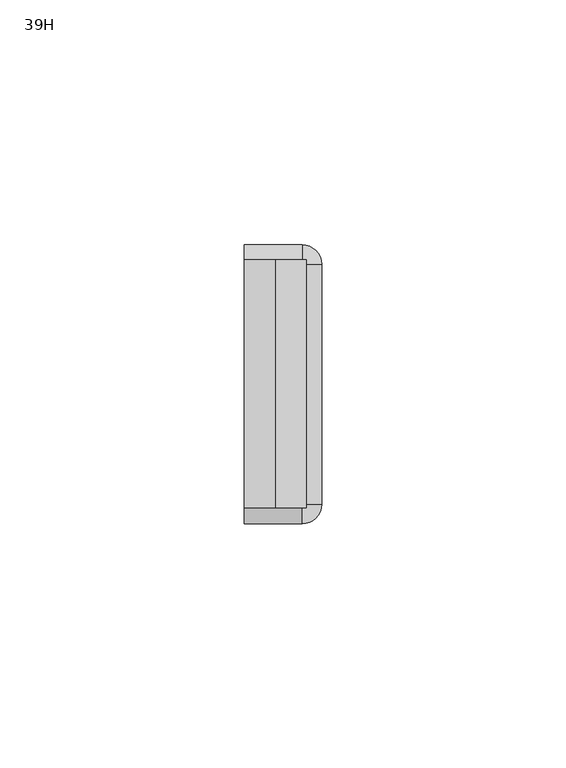
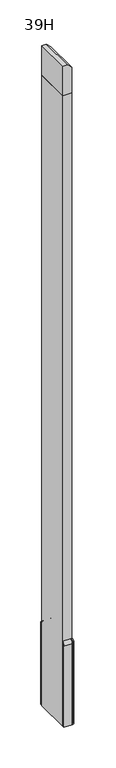
"""IFC4 building model written with IfcOpenShell, lengths in millimetres: furniture geometry, 39H."""

import ifcopenshell
import ifcopenshell.guid

model = None  # the IFC model being written
_history = None  # IfcOwnerHistory: only IFC2X3 demands one
_inside = {}  # id of a spatial element -> (the spatial element, [elements in it])
_under = {}  # id of a project, library or spatial element -> (it, [spatial elements below it])
_declared = {}  # id of a project -> (the project, [libraries it declares])
_typed = {}  # id of a type object -> (the type object, [elements of that type])
_made_of = {}  # id of a material, layer set ... -> (it, [elements and type objects made of it])


def new_model(schema):
    """Start an empty IFC model of exactly this schema.

    Asked for "IFC4X3", IfcOpenShell would pick the latest addendum, in which some entities
    have other attributes; the version numbers below select the first issue.
    IFC2X3 requires an IfcOwnerHistory on every rooted entity: one is made here for all.
    """
    global model, _history
    if schema == "IFC4X3":
        model = ifcopenshell.file(schema_version=(4, 3, 0, 0))
    else:
        model = ifcopenshell.file(schema=schema)
    _inside.clear()
    _under.clear()
    _declared.clear()
    _typed.clear()
    _made_of.clear()
    _history = None
    if model.schema == "IFC2X3":
        org = make("IfcOrganization", Name="unknown")
        user = make(
            "IfcPersonAndOrganization",
            ThePerson=make("IfcPerson", FamilyName="unknown"),
            TheOrganization=org,
        )
        app = make(
            "IfcApplication",
            ApplicationDeveloper=org,
            Version="unknown",
            ApplicationFullName="unknown",
            ApplicationIdentifier="unknown",
        )
        _history = make(
            "IfcOwnerHistory",
            OwningUser=user,
            OwningApplication=app,
            ChangeAction="ADDED",
            CreationDate=0,
        )
    return model


def make(cls, **values):
    """One entity of the class cls with the attributes given. An attribute that is None is left unset."""
    return model.create_entity(
        cls, **{name: value for name, value in values.items() if value is not None}
    )


def rooted(cls, **values):
    """An entity with a GlobalId (a new one), such as an element, a storey or a relation."""
    return make(cls, GlobalId=ifcopenshell.guid.new(), OwnerHistory=_history, **values)


def si_unit(unit_type, name, prefix=None):
    """IfcSIUnit, for example si_unit("LENGTHUNIT", "METRE", prefix="MILLI")."""
    return make("IfcSIUnit", UnitType=unit_type, Prefix=prefix, Name=name)


def assignment(units):
    """IfcUnitAssignment: the units of a project."""
    return None if units is None else make("IfcUnitAssignment", Units=units)


def point(xyz):
    """IfcCartesianPoint."""
    return None if xyz is None else make("IfcCartesianPoint", Coordinates=xyz)


def direction(xyz):
    """IfcDirection."""
    return None if xyz is None else make("IfcDirection", DirectionRatios=xyz)


def frame(location, z_axis=None, x_axis=None):
    """IfcAxis2Placement3D, a coordinate frame: its origin and axes. An axis left out is left unset."""
    return make(
        "IfcAxis2Placement3D",
        Location=point(location),
        Axis=direction(z_axis),
        RefDirection=direction(x_axis),
    )


def origin():
    """The frame at (0, 0, 0) with its axes left unset."""
    return frame((0.0, 0.0, 0.0))


def place(relative_to, where):
    """IfcLocalPlacement: puts the frame where relative to a parent placement (None: the world)."""
    return make(
        "IfcLocalPlacement", PlacementRelTo=relative_to, RelativePlacement=where
    )


def context(
    kind, dimensions, precision=None, world=None, true_north=None, identifier=None
):
    """IfcGeometricRepresentationContext, for example the 3D "Model" context."""
    return make(
        "IfcGeometricRepresentationContext",
        ContextIdentifier=identifier,
        ContextType=kind,
        CoordinateSpaceDimension=dimensions,
        Precision=precision,
        WorldCoordinateSystem=world,
        TrueNorth=true_north,
    )


def project(units=None, contexts=None):
    """IfcProject with its units and contexts."""
    return rooted(
        "IfcProject",
        Name="project",
        RepresentationContexts=contexts,
        UnitsInContext=assignment(units),
    )


def spatial(cls, under=None, at=None, **own):
    """A site, building, storey or space (cls), placed at a placement, below another one or the project."""
    s = rooted(cls, ObjectPlacement=at, **own)
    if under is not None:
        _under.setdefault(under.id(), (under, []))[1].append(s)
    return s


def polyline(points):
    """IfcPolyline through the points."""
    return make("IfcPolyline", Points=[point(p) for p in points])


def circle_curve(where, radius):
    """IfcCircle in the frame where."""
    return make("IfcCircle", Position=where, Radius=radius)


def ellipse_curve(where, semi_axis1, semi_axis2):
    """IfcEllipse in the frame where."""
    return make(
        "IfcEllipse", Position=where, SemiAxis1=semi_axis1, SemiAxis2=semi_axis2
    )


def trimmed(basis, trim1, trim2, sense, master):
    """IfcTrimmedCurve: the piece of a basis curve between two trims."""
    return make(
        "IfcTrimmedCurve",
        BasisCurve=basis,
        Trim1=trim1,
        Trim2=trim2,
        SenseAgreement=sense,
        MasterRepresentation=master,
    )


def outline(outer, holes=None, kind="AREA"):
    """IfcArbitraryClosedProfileDef: a profile drawn as a closed curve; with holes, ...WithVoids."""
    if holes is None:
        return make("IfcArbitraryClosedProfileDef", ProfileType=kind, OuterCurve=outer)
    return make(
        "IfcArbitraryProfileDefWithVoids",
        ProfileType=kind,
        OuterCurve=outer,
        InnerCurves=holes,
    )


def extrude(swept, where, along, depth):
    """IfcExtrudedAreaSolid: the profile swept, set in the frame where, extruded along a direction by depth."""
    return make(
        "IfcExtrudedAreaSolid",
        SweptArea=swept,
        Position=where,
        ExtrudedDirection=direction(along),
        Depth=depth,
    )


def shape(context_of_items, identifier, shape_type, items):
    """IfcShapeRepresentation: the items that make up one representation, for example the "Body"."""
    return make(
        "IfcShapeRepresentation",
        ContextOfItems=context_of_items,
        RepresentationIdentifier=identifier,
        RepresentationType=shape_type,
        Items=items,
    )


def source(mapping_origin, context_of_items, identifier, shape_type, items):
    """IfcRepresentationMap: a shape defined once, which mapped items show again and again."""
    return make(
        "IfcRepresentationMap",
        MappingOrigin=mapping_origin,
        MappedRepresentation=shape(context_of_items, identifier, shape_type, items),
    )


def transform(
    local_origin,
    x_axis=None,
    y_axis=None,
    z_axis=None,
    scale=None,
    scale2=None,
    scale3=None,
    uniform=True,
):
    """IfcCartesianTransformationOperator3D, or its non-uniform kind. x_axis, y_axis, z_axis: its Axis1, 2, 3."""
    if uniform:
        return make(
            "IfcCartesianTransformationOperator3D",
            Axis1=direction(x_axis),
            Axis2=direction(y_axis),
            LocalOrigin=point(local_origin),
            Scale=scale,
            Axis3=direction(z_axis),
        )
    return make(
        "IfcCartesianTransformationOperator3DnonUniform",
        Axis1=direction(x_axis),
        Axis2=direction(y_axis),
        LocalOrigin=point(local_origin),
        Scale=scale,
        Axis3=direction(z_axis),
        Scale2=scale2,
        Scale3=scale3,
    )


def mapped(mapping_source, mapping_target):
    """IfcMappedItem: shows the shape of a source again, moved by a transform."""
    return make(
        "IfcMappedItem", MappingSource=mapping_source, MappingTarget=mapping_target
    )


def made_of(thing, what):
    """Note that an element or type object is made of a material, layer set ...; save() writes the relation."""
    if what is not None:
        _made_of.setdefault(what.id(), (what, []))[1].append(thing)
    return thing


def element(
    cls,
    number,
    at=None,
    inside=None,
    cuts=None,
    type_object=None,
    material=None,
    context=None,
    identifier="Body",
    shape_type=None,
    held_by="IfcProductDefinitionShape",
    body=None,
    shapes=None,
    **own,
):
    """One element of the class cls, such as IfcWall. Its Tag is "e" and its number.

    at: its placement. inside: the storey or other place that contains it. cuts: it is an
    opening in that element (IfcRelVoidsElement). A single representation is given by context,
    identifier, shape_type and body (its items); several are given by shapes. held_by: the class
    of the entity that holds the representations. save() writes the other relations.
    """
    e = rooted(cls, Tag="e%d" % number, ObjectPlacement=at, **own)
    if body is not None:
        shapes = [shape(context, identifier, shape_type, body)]
    if shapes is not None:
        e.Representation = make(held_by, Representations=shapes)
    if inside is not None:
        _inside.setdefault(inside.id(), (inside, []))[1].append(e)
    if cuts is not None:
        rooted(
            "IfcRelVoidsElement", RelatingBuildingElement=cuts, RelatedOpeningElement=e
        )
    if type_object is not None:
        _typed.setdefault(type_object.id(), (type_object, []))[1].append(e)
    return made_of(e, material)


def aggregate(whole, parts):
    """IfcRelAggregates: a whole, such as a stair, and the parts it consists of."""
    return rooted("IfcRelAggregates", RelatingObject=whole, RelatedObjects=parts)


def save(model, path):
    """Write the relations noted so far, then the file.

    IfcRelAggregates (storeys below a building ...), IfcRelContainedInSpatialStructure (elements
    in a storey), IfcRelDefinesByType, IfcRelAssociatesMaterial and IfcRelDeclares: one each for
    every whole, place, type object, material and project.
    """
    for whole, parts in _under.values():
        aggregate(whole, parts)
    for where, things in _inside.values():
        rooted(
            "IfcRelContainedInSpatialStructure",
            RelatedElements=things,
            RelatingStructure=where,
        )
    for kind, things in _typed.values():
        rooted("IfcRelDefinesByType", RelatedObjects=things, RelatingType=kind)
    for what, things in _made_of.values():
        rooted("IfcRelAssociatesMaterial", RelatedObjects=things, RelatingMaterial=what)
    for by, libraries in _declared.values():
        rooted("IfcRelDeclares", RelatingContext=by, RelatedDefinitions=libraries)
    model.write(path)


def plane_surface(at):
    """IfcPlane: the flat surface through the origin of the frame at, square to its z axis."""
    return make("IfcPlane", Position=at)


def cylinder_surface(at, radius):
    """IfcCylindricalSurface: all points at the distance radius from the z axis of the frame at."""
    return make("IfcCylindricalSurface", Position=at, Radius=radius)


def revolved_surface(curve, axis_point, axis_direction):
    """IfcSurfaceOfRevolution: the curve turned about the line through axis_point along axis_direction."""
    return make(
        "IfcSurfaceOfRevolution",
        SweptCurve=make("IfcArbitraryOpenProfileDef", ProfileType="CURVE", Curve=curve),
        AxisPosition=make("IfcAxis1Placement", Location=point(axis_point), Axis=direction(axis_direction)),
    )


def advanced_brep(points, edges, surfaces, faces):
    """IfcAdvancedBrep: a solid bounded by faces that lie on surfaces and meet in shared edges.

    An edge is (start, end): straight between two places in points (the first is 0);
    or (start, end, curve); or (start, end, curve, False) where it runs against its curve.
    A face is (place in surfaces, loops), or (place, loops, False) where it looks against
    its surface's normal. A loop lists edges by number (the first is 1), with a minus sign
    where the edge is run from its end to its start. The first loop is the outer one.
    """
    corners = [point(p) for p in points]
    vertices = [make("IfcVertexPoint", VertexGeometry=c) for c in corners]
    made = []
    for start, end, *more in edges:
        made.append(
            make(
                "IfcEdgeCurve",
                EdgeStart=vertices[start],
                EdgeEnd=vertices[end],
                EdgeGeometry=more[0] if more else make("IfcPolyline", Points=[corners[start], corners[end]]),
                SameSense=more[1] if len(more) > 1 else True,
            )
        )
    hull = []
    for where, loops, *sense in faces:
        bounds = []
        for j, loop in enumerate(loops):
            ring = [make("IfcOrientedEdge", EdgeElement=made[abs(k) - 1], Orientation=k > 0) for k in loop]
            bounds.append(
                make(
                    "IfcFaceOuterBound" if j == 0 else "IfcFaceBound",
                    Bound=make("IfcEdgeLoop", EdgeList=ring),
                    Orientation=True,
                )
            )
        hull.append(make("IfcAdvancedFace", Bounds=bounds, FaceSurface=surfaces[where], SameSense=sense[0] if sense else True))
    return make("IfcAdvancedBrep", Outer=make("IfcClosedShell", CfsFaces=hull))


def furniture_39h_493edbe2(model_context):
    return source(origin(), model_context, "Body", "SolidModel", [
        advanced_brep(
        [(1984.8560512, -2420.1637877, 130.97002), (1984.8560512, -2420.1637877, 9.525), (1984.8560512, -2421.7512877, 9.525), (1984.8560512, -2421.7512877, 130.97002), (1984.8560512, -2423.3387877, 134.5628942), (1984.8560512, -2423.3387877, 136.525), (1996.7623012, -2420.1637877, 130.97002), (1996.7623012, -2420.1637877, 9.525), (2000.7310512, -2424.1325377, 9.525), (2000.7310512, -2473.3356635, 9.525), (1996.752927, -2477.3137877, 9.525), (1984.8560512, -2477.3137877, 9.525), (1984.8560512, -2475.7262877, 9.525), (1996.752927, -2475.7262877, 9.525), (1999.1435512, -2473.3356635, 9.525), (1999.1435512, -2424.1325377, 9.525), (1996.7623012, -2421.7512877, 9.525), (1996.7623012, -2421.7512877, 130.97002), (1996.7623012, -2423.3387877, 134.5628942), (1996.7623012, -2423.3387877, 136.525), (2000.7310512, -2424.1325377, 130.97002), (1999.1435512, -2424.1325377, 130.97002), (1997.5560512, -2424.1325377, 134.5628942), (1997.5560512, -2424.1325377, 136.525), (2000.7310512, -2473.3356635, 130.97002), (1999.1435512, -2473.3356635, 130.97002), (1997.5560512, -2473.3356635, 134.5628942), (1997.5560512, -2473.3356635, 136.525), (1996.752927, -2477.3137877, 130.97002), (1996.752927, -2475.7262877, 130.97002), (1996.752927, -2474.1387877, 134.5628942), (1996.752927, -2474.1387877, 136.525), (1984.8560512, -2477.3137877, 130.97002), (1984.8560512, -2474.1387877, 136.525), (1984.8560512, -2474.1387877, 134.5628942), (1984.8560512, -2475.7262877, 130.97002)],
        [
            (0, 1),
            (1, 2),
            (2, 3),
            (3, 4, circle_curve(frame((1984.8560512, -2426.6107842, 130.97002), z_axis=(1.0, 0.0, 0.0), x_axis=(0.0, 1.0, 0.0)), 4.8594965)),
            (4, 5),
            (5, 0, circle_curve(frame((1984.8560512, -2426.6107842, 130.97002), z_axis=(-1.0, 0.0, 0.0), x_axis=(0.0, 1.0, 0.0)), 6.4469965)),
            (0, 6),
            (6, 7),
            (7, 1),
            (7, 8, circle_curve(frame((1996.7623012, -2424.1325377, 9.525), z_axis=(0.0, 0.0, -1.0), x_axis=(0.0, 1.0, 0.0)), 3.96875)),
            (8, 9),
            (9, 10, circle_curve(frame((1996.752927, -2473.3356635, 9.525), z_axis=(0.0, 0.0, -1.0), x_axis=(1.0, 0.0, 0.0)), 3.9781242)),
            (10, 11),
            (11, 12),
            (12, 13),
            (13, 14, circle_curve(frame((1996.752927, -2473.3356635, 9.525), z_axis=(0.0, 0.0, 1.0), x_axis=(1.0, 0.0, 0.0)), 2.3906242)),
            (14, 15),
            (15, 16, circle_curve(frame((1996.7623012, -2424.1325377, 9.525), z_axis=(0.0, 0.0, 1.0), x_axis=(0.0, 1.0, 0.0)), 2.38125)),
            (16, 2),
            (16, 17),
            (17, 3),
            (17, 18, circle_curve(frame((1996.7623012, -2426.6107842, 130.97002), z_axis=(1.0, 0.0, 0.0), x_axis=(0.0, 1.0, 0.0)), 4.8594965)),
            (18, 4),
            (18, 19),
            (19, 5),
            (19, 6, circle_curve(frame((1996.7623012, -2426.6107842, 130.97002), z_axis=(-1.0, 0.0, 0.0), x_axis=(0.0, 1.0, 0.0)), 6.4469965)),
            (6, 20, circle_curve(frame((1996.7623012, -2424.1325377, 130.97002), z_axis=(0.0, 0.0, -1.0), x_axis=(0.0, 1.0, 0.0)), 3.96875)),
            (20, 8),
            (21, 17, circle_curve(frame((1996.7623012, -2424.1325377, 130.97002), z_axis=(0.0, 0.0, 1.0), x_axis=(0.0, 1.0, 0.0)), 2.38125)),
            (15, 21),
            (22, 18, circle_curve(frame((1996.7623012, -2424.1325377, 134.5628942), z_axis=(0.0, 0.0, 1.0), x_axis=(0.0, 1.0, 0.0)), 0.79375)),
            (21, 22, circle_curve(frame((1994.2840547, -2424.1325377, 130.97002), z_axis=(0.0, -1.0, 0.0), x_axis=(1.0, 0.0, 0.0)), 4.8594965)),
            (23, 19, circle_curve(frame((1996.7623012, -2424.1325377, 136.525), z_axis=(0.0, 0.0, 1.0), x_axis=(0.0, 1.0, 0.0)), 0.79375)),
            (22, 23),
            (23, 20, circle_curve(frame((1994.2840547, -2424.1325377, 130.97002), z_axis=(0.0, 1.0, 0.0), x_axis=(1.0, 0.0, 0.0)), 6.4469965)),
            (20, 24),
            (24, 9),
            (14, 25),
            (25, 21),
            (25, 26, circle_curve(frame((1994.2840547, -2473.3356635, 130.97002), z_axis=(0.0, -1.0, 0.0), x_axis=(1.0, 0.0, 0.0)), 4.8594965)),
            (26, 22),
            (26, 27),
            (27, 23),
            (27, 24, circle_curve(frame((1994.2840547, -2473.3356635, 130.97002), z_axis=(0.0, 1.0, 0.0), x_axis=(1.0, 0.0, 0.0)), 6.4469965)),
            (24, 28, circle_curve(frame((1996.752927, -2473.3356635, 130.97002), z_axis=(0.0, 0.0, -1.0), x_axis=(1.0, 0.0, 0.0)), 3.9781242)),
            (28, 10),
            (29, 25, circle_curve(frame((1996.752927, -2473.3356635, 130.97002), z_axis=(0.0, 0.0, 1.0), x_axis=(1.0, 0.0, 0.0)), 2.3906242)),
            (13, 29),
            (30, 26, circle_curve(frame((1996.752927, -2473.3356635, 134.5628942), z_axis=(0.0, 0.0, 1.0), x_axis=(1.0, 0.0, 0.0)), 0.8031242)),
            (29, 30, circle_curve(frame((1996.752927, -2470.8667912, 130.97002), z_axis=(-1.0, 0.0, 0.0), x_axis=(0.0, -1.0, 0.0)), 4.8594965)),
            (31, 27, circle_curve(frame((1996.752927, -2473.3356635, 136.525), z_axis=(0.0, 0.0, 1.0), x_axis=(1.0, 0.0, 0.0)), 0.8031242)),
            (30, 31),
            (31, 28, circle_curve(frame((1996.752927, -2470.8667912, 130.97002), z_axis=(1.0, 0.0, 0.0), x_axis=(0.0, -1.0, 0.0)), 6.4469965)),
            (32, 33, circle_curve(frame((1984.8560512, -2470.8667912, 130.97002), z_axis=(-1.0, 0.0, 0.0), x_axis=(0.0, -1.0, 0.0)), 6.4469965)),
            (33, 34),
            (34, 35, circle_curve(frame((1984.8560512, -2470.8667912, 130.97002), z_axis=(1.0, 0.0, 0.0), x_axis=(0.0, -1.0, 0.0)), 4.8594965)),
            (35, 12),
            (11, 32),
            (28, 32),
            (35, 29),
            (34, 30),
            (33, 31),
        ],
        [
            plane_surface(frame((1984.8560512, -2423.3387877, 0.0), z_axis=(-1.0, 0.0, 0.0), x_axis=(0.0, 0.0, 1.0))),
            plane_surface(frame((1984.8560512, -2420.1637877, 130.97002), z_axis=(0.0, 1.0, 0.0), x_axis=(1.0, 0.0, 0.0))),
            plane_surface(frame((1984.8560512, -2420.1637877, 9.525), z_axis=(0.0, 0.0, -1.0), x_axis=(1.0, 0.0, 0.0))),
            plane_surface(frame((1984.8560512, -2421.7512877, 9.525), z_axis=(0.0, -1.0, 0.0), x_axis=(1.0, 0.0, 0.0))),
            revolved_surface(polyline([(1996.7623012, -2421.7512877, 130.97002), (1984.8560512, -2421.7512877, 130.97002)]), (1984.8560512, -2426.6107842, 130.97002), (1.0, 0.0, 0.0)),
            plane_surface(frame((1984.8560512, -2423.3387877, 134.5628942), z_axis=(0.0, -1.0, 0.0), x_axis=(1.0, 0.0, 0.0))),
            cylinder_surface(frame((1984.8560512, -2426.6107842, 130.97002), z_axis=(-1.0, 0.0, 0.0), x_axis=(0.0, 1.0, 0.0)), 6.4469965),
            cylinder_surface(frame((1996.7623012, -2424.1325377, 0.0), z_axis=(0.0, 0.0, -1.0), x_axis=(0.0, 1.0, 0.0)), 3.96875),
            revolved_surface(polyline([(1996.7623012, -2421.7512877, 9.525), (1996.7623012, -2421.7512877, 130.97002)]), (1996.7623012, -2424.1325377, 0.0), (0.0, 0.0, -1.0)),
            revolved_surface(trimmed(ellipse_curve(frame((1996.7623012, -2426.6107842, 130.97002), z_axis=(1.0, 0.0, 0.0), x_axis=(0.0, 1.0, 0.0)), 4.8594965, 4.8594965), [point((1996.7623012, -2421.7512877, 130.97002))], [point((1996.7623012, -2423.3387877, 134.5628942))], True, "CARTESIAN"), (1996.7623012, -2424.1325377, 0.0), (0.0, 0.0, -1.0)),
            revolved_surface(polyline([(1996.7623012, -2423.3387877, 134.5628942), (1996.7623012, -2423.3387877, 136.525)]), (1996.7623012, -2424.1325377, 0.0), (0.0, 0.0, -1.0)),
            revolved_surface(trimmed(ellipse_curve(frame((1996.7623012, -2426.6107842, 130.97002), z_axis=(-1.0, 0.0, 0.0), x_axis=(0.0, 1.0, 0.0)), 6.4469965, 6.4469965), [point((1996.7623012, -2423.3387877, 136.525))], [point((1996.7623012, -2420.1637877, 130.97002))], True, "CARTESIAN"), (1996.7623012, -2424.1325377, 0.0), (0.0, 0.0, -1.0)),
            plane_surface(frame((2000.7310512, -2424.1325377, 130.97002), z_axis=(1.0, 0.0, 0.0), x_axis=(0.0, -1.0, 0.0))),
            plane_surface(frame((1999.1435512, -2424.1325377, 9.525), z_axis=(-1.0, 0.0, 0.0), x_axis=(0.0, -1.0, 0.0))),
            revolved_surface(polyline([(1999.1435512, -2473.3356635, 130.97002), (1999.1435512, -2424.1325377, 130.97002)]), (1994.2840547, -2424.1325377, 130.97002), (0.0, -1.0, 0.0)),
            plane_surface(frame((1997.5560512, -2424.1325377, 134.5628942), z_axis=(-1.0, 0.0, 0.0), x_axis=(0.0, -1.0, 0.0))),
            cylinder_surface(frame((1994.2840547, -2424.1325377, 130.97002), z_axis=(0.0, 1.0, 0.0), x_axis=(1.0, 0.0, 0.0)), 6.4469965),
            cylinder_surface(frame((1996.752927, -2473.3356635, 0.0), z_axis=(0.0, 0.0, -1.0), x_axis=(1.0, 0.0, 0.0)), 3.9781242),
            revolved_surface(polyline([(1999.1435512, -2473.3356635, 9.525), (1999.1435512, -2473.3356635, 130.97002)]), (1996.752927, -2473.3356635, 0.0), (0.0, 0.0, -1.0)),
            revolved_surface(trimmed(ellipse_curve(frame((1994.2840547, -2473.3356635, 130.97002), z_axis=(0.0, -1.0, 0.0), x_axis=(1.0, 0.0, 0.0)), 4.8594965, 4.8594965), [point((1999.1435512, -2473.3356635, 130.97002))], [point((1997.5560512, -2473.3356635, 134.5628942))], True, "CARTESIAN"), (1996.752927, -2473.3356635, 0.0), (0.0, 0.0, -1.0)),
            revolved_surface(polyline([(1997.5560512, -2473.3356635, 134.5628942), (1997.5560512, -2473.3356635, 136.525)]), (1996.752927, -2473.3356635, 0.0), (0.0, 0.0, -1.0)),
            revolved_surface(trimmed(ellipse_curve(frame((1994.2840547, -2473.3356635, 130.97002), z_axis=(0.0, 1.0, 0.0), x_axis=(1.0, 0.0, 0.0)), 6.4469965, 6.4469965), [point((1997.5560512, -2473.3356635, 136.525))], [point((2000.7310512, -2473.3356635, 130.97002))], True, "CARTESIAN"), (1996.752927, -2473.3356635, 0.0), (0.0, 0.0, -1.0)),
            plane_surface(frame((1984.8560512, -2474.1387877, 0.0), z_axis=(-1.0, 0.0, 0.0), x_axis=(0.0, 0.0, 1.0))),
            plane_surface(frame((1996.752927, -2477.3137877, 130.97002), z_axis=(0.0, -1.0, 0.0), x_axis=(-1.0, 0.0, 0.0))),
            plane_surface(frame((1996.752927, -2475.7262877, 9.525), z_axis=(0.0, 1.0, 0.0), x_axis=(-1.0, 0.0, 0.0))),
            revolved_surface(polyline([(1984.8560512, -2475.7262877000003, 130.97002), (1996.752927, -2475.7262877000003, 130.97002)]), (1996.752927, -2470.8667912, 130.97002), (-1.0, 0.0, 0.0)),
            plane_surface(frame((1996.752927, -2474.1387877, 134.5628942), z_axis=(0.0, 1.0, 0.0), x_axis=(-1.0, 0.0, 0.0))),
            cylinder_surface(frame((1996.752927, -2470.8667912, 130.97002), z_axis=(1.0, 0.0, 0.0), x_axis=(0.0, -1.0, 0.0)), 6.4469965),
        ],
        [
            (0, [[1, 2, 3, 4, 5, 6]]),
            (1, [[-1, 7, 8, 9]]),
            (2, [[-2, -9, 10, 11, 12, 13, 14, 15, 16, 17, 18, 19]]),
            (3, [[-3, -19, 20, 21]]),
            (4, [[-4, -21, 22, 23]]),
            (5, [[-5, -23, 24, 25]]),
            (6, [[-6, -25, 26, -7]]),
            (7, [[-10, -8, 27, 28]]),
            (8, [[29, -20, -18, 30]]),
            (9, [[31, -22, -29, 32]]),
            (10, [[33, -24, -31, 34]]),
            (11, [[-27, -26, -33, 35]]),
            (12, [[-28, 36, 37, -11]]),
            (13, [[-30, -17, 38, 39]]),
            (14, [[-32, -39, 40, 41]]),
            (15, [[-34, -41, 42, 43]]),
            (16, [[-35, -43, 44, -36]]),
            (17, [[-12, -37, 45, 46]]),
            (18, [[47, -38, -16, 48]]),
            (19, [[49, -40, -47, 50]]),
            (20, [[51, -42, -49, 52]]),
            (21, [[-45, -44, -51, 53]]),
            (22, [[54, 55, 56, 57, -14, 58]]),
            (23, [[-46, 59, -58, -13]]),
            (24, [[-48, -15, -57, 60]]),
            (25, [[-50, -60, -56, 61]]),
            (26, [[-52, -61, -55, 62]]),
            (27, [[-53, -62, -54, -59]]),
        ],
    ),
        extrude(outline(polyline([(955.675, 1984.8560512), (955.675, 1997.5560512), (993.775, 1997.5560512), (1000.125, 1991.2060512), (1000.125, 1984.8560512), (955.675, 1984.8560512)])), frame((0.0, -2474.1387877, 0.0), z_axis=(0.0, 1.0, 0.0), x_axis=(0.0, 0.0, 1.0)), (0.0, 0.0, 1.0), 50.8),
        extrude(outline(polyline([(1984.8560512, -2474.1387877), (1984.8560512, -2423.3387877), (1997.5560512, -2423.3387877), (1997.5560512, -2474.1387877), (1984.8560512, -2474.1387877)])), frame((0.0, 0.0, 9.525), z_axis=(0.0, 0.0, 1.0), x_axis=(1.0, 0.0, 0.0)), (0.0, 0.0, 1.0), 946.15),
    ])


if __name__ == "__main__":
    model = new_model("IFC4")
    model_context = context("Model", 3, world=origin())
    ifc_project = project(units=[si_unit("LENGTHUNIT", "METRE", prefix="MILLI")], contexts=[model_context])
    site = spatial("IfcSite", under=ifc_project)
    building = spatial("IfcBuilding", under=site)
    placement = place(None, origin())
    furniture_39h_shape = furniture_39h_493edbe2(model_context)
    element("IfcFurniture", 1, ObjectType="39H", at=placement, inside=building, context=model_context, shape_type="MappedRepresentation", body=[
        mapped(furniture_39h_shape, transform((0.0, 0.0, 0.0), x_axis=(1.0, 0.0, 0.0), y_axis=(0.0, 1.0, 0.0), z_axis=(0.0, 0.0, 1.0))),
    ])
    save(model, "model.ifc")
